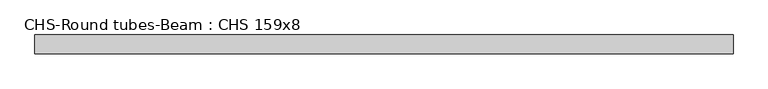
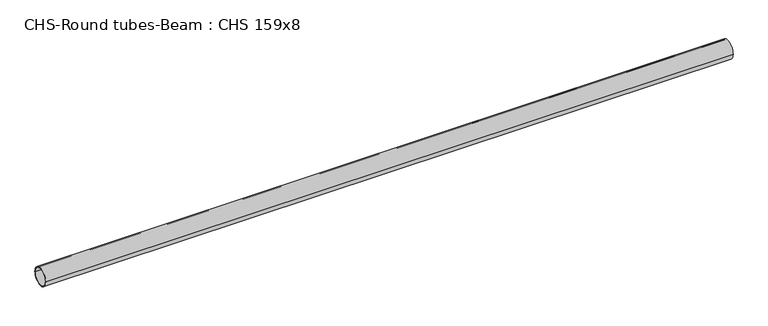
"""IFC4 building model written with IfcOpenShell, lengths in millimetres: beam geometry, CHS-Round tubes-Beam : CHS 159x8."""

from ifc_helpers import new_model, si_unit, point, frame, origin, origin_2d, place, context, project, spatial, circle_curve, trimmed, segment, composite_curve, outline, extrude, source, transform, mapped, element, save


def chs_round_tubes_beam_chs_159x8_b7ebac1b(model_context):
    return source(origin(), model_context, "Body", "SweptSolid", [
        extrude(outline(composite_curve([segment(trimmed(circle_curve(origin_2d(), 79.5), [point((79.5, 0.0))], [point((-79.5, 0.0))], False, "CARTESIAN"), True, "CONTINUOUS"), segment(trimmed(circle_curve(origin_2d(), 79.5), [point((-79.5, 0.0))], [point((79.5, 0.0))], False, "CARTESIAN"), True, "CONTINUOUS")], self_intersect=False), holes=[composite_curve([segment(trimmed(circle_curve(origin_2d(), 71.5), [point((71.5, 0.0))], [point((-71.5, 0.0))], True, "CARTESIAN"), True, "CONTINUOUS"), segment(trimmed(circle_curve(origin_2d(), 71.5), [point((-71.5, 0.0))], [point((71.5, 0.0))], True, "CARTESIAN"), True, "CONTINUOUS")], self_intersect=False)]), frame((-2960.0510657, 0.0, 0.0), z_axis=(1.0, 0.0, 0.0), x_axis=(0.0, 1.0, 0.0)), (0.0, 0.0, 1.0), 5920.1021314),
    ])


if __name__ == "__main__":
    model = new_model("IFC4")
    model_context = context("Model", 3, world=origin())
    ifc_project = project(units=[si_unit("LENGTHUNIT", "METRE", prefix="MILLI")], contexts=[model_context])
    site = spatial("IfcSite", under=ifc_project)
    building = spatial("IfcBuilding", under=site)
    placement = place(None, origin())
    chs_round_tubes_beam_chs_159x8_shape = chs_round_tubes_beam_chs_159x8_b7ebac1b(model_context)
    element("IfcBeam", 1, ObjectType="CHS-Round tubes-Beam : CHS 159x8", at=placement, inside=building, context=model_context, shape_type="MappedRepresentation", body=[
        mapped(chs_round_tubes_beam_chs_159x8_shape, transform((0.0, 0.0, 0.0), x_axis=(1.0, 0.0, 0.0), y_axis=(0.0, 1.0, 0.0), z_axis=(0.0, 0.0, 1.0))),
    ])
    save(model, "model.ifc")
